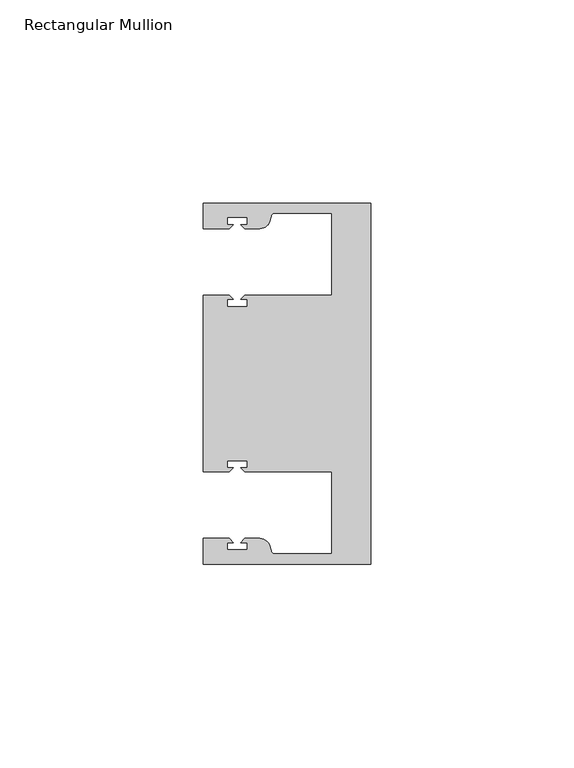
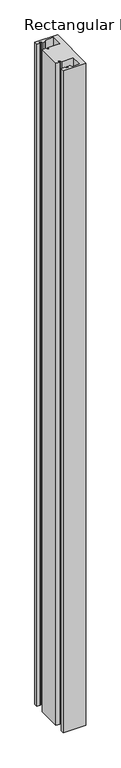
"""IFC4 building model written with IfcOpenShell, lengths in millimetres: member geometry, Rectangular Mullion."""

import ifcopenshell
import ifcopenshell.guid

model = None  # the IFC model being written
_history = None  # IfcOwnerHistory: only IFC2X3 demands one
_inside = {}  # id of a spatial element -> (the spatial element, [elements in it])
_under = {}  # id of a project, library or spatial element -> (it, [spatial elements below it])
_declared = {}  # id of a project -> (the project, [libraries it declares])
_typed = {}  # id of a type object -> (the type object, [elements of that type])
_made_of = {}  # id of a material, layer set ... -> (it, [elements and type objects made of it])


def new_model(schema):
    """Start an empty IFC model of exactly this schema.

    Asked for "IFC4X3", IfcOpenShell would pick the latest addendum, in which some entities
    have other attributes; the version numbers below select the first issue.
    IFC2X3 requires an IfcOwnerHistory on every rooted entity: one is made here for all.
    """
    global model, _history
    if schema == "IFC4X3":
        model = ifcopenshell.file(schema_version=(4, 3, 0, 0))
    else:
        model = ifcopenshell.file(schema=schema)
    _inside.clear()
    _under.clear()
    _declared.clear()
    _typed.clear()
    _made_of.clear()
    _history = None
    if model.schema == "IFC2X3":
        org = make("IfcOrganization", Name="unknown")
        user = make(
            "IfcPersonAndOrganization",
            ThePerson=make("IfcPerson", FamilyName="unknown"),
            TheOrganization=org,
        )
        app = make(
            "IfcApplication",
            ApplicationDeveloper=org,
            Version="unknown",
            ApplicationFullName="unknown",
            ApplicationIdentifier="unknown",
        )
        _history = make(
            "IfcOwnerHistory",
            OwningUser=user,
            OwningApplication=app,
            ChangeAction="ADDED",
            CreationDate=0,
        )
    return model


def make(cls, **values):
    """One entity of the class cls with the attributes given. An attribute that is None is left unset."""
    return model.create_entity(
        cls, **{name: value for name, value in values.items() if value is not None}
    )


def rooted(cls, **values):
    """An entity with a GlobalId (a new one), such as an element, a storey or a relation."""
    return make(cls, GlobalId=ifcopenshell.guid.new(), OwnerHistory=_history, **values)


def si_unit(unit_type, name, prefix=None):
    """IfcSIUnit, for example si_unit("LENGTHUNIT", "METRE", prefix="MILLI")."""
    return make("IfcSIUnit", UnitType=unit_type, Prefix=prefix, Name=name)


def assignment(units):
    """IfcUnitAssignment: the units of a project."""
    return None if units is None else make("IfcUnitAssignment", Units=units)


def point(xyz):
    """IfcCartesianPoint."""
    return None if xyz is None else make("IfcCartesianPoint", Coordinates=xyz)


def direction(xyz):
    """IfcDirection."""
    return None if xyz is None else make("IfcDirection", DirectionRatios=xyz)


def frame(location, z_axis=None, x_axis=None):
    """IfcAxis2Placement3D, a coordinate frame: its origin and axes. An axis left out is left unset."""
    return make(
        "IfcAxis2Placement3D",
        Location=point(location),
        Axis=direction(z_axis),
        RefDirection=direction(x_axis),
    )


def frame_2d(location, x_axis=None):
    """IfcAxis2Placement2D, a coordinate frame in the plane: its origin and x axis."""
    return make(
        "IfcAxis2Placement2D", Location=point(location), RefDirection=direction(x_axis)
    )


def origin():
    """The frame at (0, 0, 0) with its axes left unset."""
    return frame((0.0, 0.0, 0.0))


def place(relative_to, where):
    """IfcLocalPlacement: puts the frame where relative to a parent placement (None: the world)."""
    return make(
        "IfcLocalPlacement", PlacementRelTo=relative_to, RelativePlacement=where
    )


def context(
    kind, dimensions, precision=None, world=None, true_north=None, identifier=None
):
    """IfcGeometricRepresentationContext, for example the 3D "Model" context."""
    return make(
        "IfcGeometricRepresentationContext",
        ContextIdentifier=identifier,
        ContextType=kind,
        CoordinateSpaceDimension=dimensions,
        Precision=precision,
        WorldCoordinateSystem=world,
        TrueNorth=true_north,
    )


def project(units=None, contexts=None):
    """IfcProject with its units and contexts."""
    return rooted(
        "IfcProject",
        Name="project",
        RepresentationContexts=contexts,
        UnitsInContext=assignment(units),
    )


def spatial(cls, under=None, at=None, **own):
    """A site, building, storey or space (cls), placed at a placement, below another one or the project."""
    s = rooted(cls, ObjectPlacement=at, **own)
    if under is not None:
        _under.setdefault(under.id(), (under, []))[1].append(s)
    return s


def polyline(points):
    """IfcPolyline through the points."""
    return make("IfcPolyline", Points=[point(p) for p in points])


def circle_curve(where, radius):
    """IfcCircle in the frame where."""
    return make("IfcCircle", Position=where, Radius=radius)


def trimmed(basis, trim1, trim2, sense, master):
    """IfcTrimmedCurve: the piece of a basis curve between two trims."""
    return make(
        "IfcTrimmedCurve",
        BasisCurve=basis,
        Trim1=trim1,
        Trim2=trim2,
        SenseAgreement=sense,
        MasterRepresentation=master,
    )


def segment(curve, same_sense, transition):
    """IfcCompositeCurveSegment."""
    return make(
        "IfcCompositeCurveSegment",
        Transition=transition,
        SameSense=same_sense,
        ParentCurve=curve,
    )


def composite_curve(segments, self_intersect=None):
    """IfcCompositeCurve: segments joined end to end."""
    return make("IfcCompositeCurve", Segments=segments, SelfIntersect=self_intersect)


def outline(outer, holes=None, kind="AREA"):
    """IfcArbitraryClosedProfileDef: a profile drawn as a closed curve; with holes, ...WithVoids."""
    if holes is None:
        return make("IfcArbitraryClosedProfileDef", ProfileType=kind, OuterCurve=outer)
    return make(
        "IfcArbitraryProfileDefWithVoids",
        ProfileType=kind,
        OuterCurve=outer,
        InnerCurves=holes,
    )


def extrude(swept, where, along, depth):
    """IfcExtrudedAreaSolid: the profile swept, set in the frame where, extruded along a direction by depth."""
    return make(
        "IfcExtrudedAreaSolid",
        SweptArea=swept,
        Position=where,
        ExtrudedDirection=direction(along),
        Depth=depth,
    )


def shape(context_of_items, identifier, shape_type, items):
    """IfcShapeRepresentation: the items that make up one representation, for example the "Body"."""
    return make(
        "IfcShapeRepresentation",
        ContextOfItems=context_of_items,
        RepresentationIdentifier=identifier,
        RepresentationType=shape_type,
        Items=items,
    )


def source(mapping_origin, context_of_items, identifier, shape_type, items):
    """IfcRepresentationMap: a shape defined once, which mapped items show again and again."""
    return make(
        "IfcRepresentationMap",
        MappingOrigin=mapping_origin,
        MappedRepresentation=shape(context_of_items, identifier, shape_type, items),
    )


def transform(
    local_origin,
    x_axis=None,
    y_axis=None,
    z_axis=None,
    scale=None,
    scale2=None,
    scale3=None,
    uniform=True,
):
    """IfcCartesianTransformationOperator3D, or its non-uniform kind. x_axis, y_axis, z_axis: its Axis1, 2, 3."""
    if uniform:
        return make(
            "IfcCartesianTransformationOperator3D",
            Axis1=direction(x_axis),
            Axis2=direction(y_axis),
            LocalOrigin=point(local_origin),
            Scale=scale,
            Axis3=direction(z_axis),
        )
    return make(
        "IfcCartesianTransformationOperator3DnonUniform",
        Axis1=direction(x_axis),
        Axis2=direction(y_axis),
        LocalOrigin=point(local_origin),
        Scale=scale,
        Axis3=direction(z_axis),
        Scale2=scale2,
        Scale3=scale3,
    )


def mapped(mapping_source, mapping_target):
    """IfcMappedItem: shows the shape of a source again, moved by a transform."""
    return make(
        "IfcMappedItem", MappingSource=mapping_source, MappingTarget=mapping_target
    )


def made_of(thing, what):
    """Note that an element or type object is made of a material, layer set ...; save() writes the relation."""
    if what is not None:
        _made_of.setdefault(what.id(), (what, []))[1].append(thing)
    return thing


def element(
    cls,
    number,
    at=None,
    inside=None,
    cuts=None,
    type_object=None,
    material=None,
    context=None,
    identifier="Body",
    shape_type=None,
    held_by="IfcProductDefinitionShape",
    body=None,
    shapes=None,
    **own,
):
    """One element of the class cls, such as IfcWall. Its Tag is "e" and its number.

    at: its placement. inside: the storey or other place that contains it. cuts: it is an
    opening in that element (IfcRelVoidsElement). A single representation is given by context,
    identifier, shape_type and body (its items); several are given by shapes. held_by: the class
    of the entity that holds the representations. save() writes the other relations.
    """
    e = rooted(cls, Tag="e%d" % number, ObjectPlacement=at, **own)
    if body is not None:
        shapes = [shape(context, identifier, shape_type, body)]
    if shapes is not None:
        e.Representation = make(held_by, Representations=shapes)
    if inside is not None:
        _inside.setdefault(inside.id(), (inside, []))[1].append(e)
    if cuts is not None:
        rooted(
            "IfcRelVoidsElement", RelatingBuildingElement=cuts, RelatedOpeningElement=e
        )
    if type_object is not None:
        _typed.setdefault(type_object.id(), (type_object, []))[1].append(e)
    return made_of(e, material)


def aggregate(whole, parts):
    """IfcRelAggregates: a whole, such as a stair, and the parts it consists of."""
    return rooted("IfcRelAggregates", RelatingObject=whole, RelatedObjects=parts)


def save(model, path):
    """Write the relations noted so far, then the file.

    IfcRelAggregates (storeys below a building ...), IfcRelContainedInSpatialStructure (elements
    in a storey), IfcRelDefinesByType, IfcRelAssociatesMaterial and IfcRelDeclares: one each for
    every whole, place, type object, material and project.
    """
    for whole, parts in _under.values():
        aggregate(whole, parts)
    for where, things in _inside.values():
        rooted(
            "IfcRelContainedInSpatialStructure",
            RelatedElements=things,
            RelatingStructure=where,
        )
    for kind, things in _typed.values():
        rooted("IfcRelDefinesByType", RelatedObjects=things, RelatingType=kind)
    for what, things in _made_of.values():
        rooted("IfcRelAssociatesMaterial", RelatedObjects=things, RelatingMaterial=what)
    for by, libraries in _declared.values():
        rooted("IfcRelDeclares", RelatingContext=by, RelatedDefinitions=libraries)
    model.write(path)


def rectangular_mullion_92514fd0(model_context):
    return source(origin(), model_context, "Body", "SweptSolid", [
        extrude(outline(composite_curve([segment(polyline([(0.0, 44.45), (0.0, -44.45), (-41.275, -44.45), (-41.275, -38.1499897), (-34.8007531, -38.1499897), (-33.8007405, -39.1500023), (-35.3749778, -39.1500023), (-35.3749778, -40.9498819), (-30.3749831, -40.9498819), (-30.3749831, -39.1500023), (-31.949256, -39.1500023), (-30.9492503, -38.1499966), (-27.2637853, -38.1499966)]), True, "CONTINUOUS"), segment(trimmed(circle_curve(frame_2d((-27.2637853, -40.6499966)), 2.5), [point((-27.2637853, -38.1499966))], [point((-24.8489707, -40.002949))], False, "CARTESIAN"), True, "CONTINUOUS"), segment(polyline([(-24.8489707, -40.002949), (-24.5258588, -41.2088192)]), True, "CONTINUOUS"), segment(trimmed(circle_curve(frame_2d((-23.5599329, -40.9500001)), 1.0), [point((-24.5258588, -41.2088192))], [point((-23.5599329, -41.9500001))], True, "CARTESIAN"), True, "CONTINUOUS"), segment(polyline([(-23.5599329, -41.9500001), (-9.525, -41.95), (-9.525, -21.7499959), (-30.9492434, -21.7499959), (-31.949256, -20.7499834), (-30.3750186, -20.7499834), (-30.3750186, -18.949936), (-35.3750134, -18.949936), (-35.3750134, -20.7499834), (-33.8007405, -20.7499834), (-34.8007562, -21.749999), (-41.275, -21.749999), (-41.275, 21.749999), (-34.8007562, 21.749999), (-33.8007405, 20.7499834), (-35.3750134, 20.7499834), (-35.3750134, 18.949936), (-30.3750186, 18.949936), (-30.3750186, 20.7499834), (-31.949256, 20.7499834), (-30.9492434, 21.7499959), (-9.525, 21.7499959), (-9.525, 41.95), (-23.5599329, 41.95)]), True, "CONTINUOUS"), segment(trimmed(circle_curve(frame_2d((-23.5599329, 40.9500001)), 1.0), [point((-23.5599329, 41.95))], [point((-24.5258588, 41.2088192))], True, "CARTESIAN"), True, "CONTINUOUS"), segment(polyline([(-24.5258588, 41.2088192), (-24.8489707, 40.002949)]), True, "CONTINUOUS"), segment(trimmed(circle_curve(frame_2d((-27.2637853, 40.6499966)), 2.5), [point((-24.8489707, 40.002949))], [point((-27.2637853, 38.1499966))], False, "CARTESIAN"), True, "CONTINUOUS"), segment(polyline([(-27.2637853, 38.1499966), (-30.9492503, 38.1499966), (-31.949256, 39.1500023), (-30.3749831, 39.1500023), (-30.3749831, 40.9498819), (-35.3749778, 40.9498819), (-35.3749778, 39.1500023), (-33.8007405, 39.1500023), (-34.8007531, 38.1499897), (-41.2749977, 38.1499897), (-41.2749977, 44.45), (0.0, 44.45)]), True, "CONTINUOUS")], self_intersect=False)), frame((0.0, 0.0, -1270.0), z_axis=(0.0, 0.0, 1.0), x_axis=(1.0, 0.0, 0.0)), (0.0, 0.0, 1.0), 1270.0),
    ])


if __name__ == "__main__":
    model = new_model("IFC4")
    model_context = context("Model", 3, world=origin())
    ifc_project = project(units=[si_unit("LENGTHUNIT", "METRE", prefix="MILLI")], contexts=[model_context])
    site = spatial("IfcSite", under=ifc_project)
    building = spatial("IfcBuilding", under=site)
    placement = place(None, origin())
    rectangular_mullion_shape = rectangular_mullion_92514fd0(model_context)
    element("IfcMember", 1, ObjectType="Rectangular Mullion", at=placement, inside=building, context=model_context, shape_type="MappedRepresentation", body=[
        mapped(rectangular_mullion_shape, transform((0.0, 0.0, 0.0), x_axis=(1.0, 0.0, 0.0), y_axis=(0.0, 1.0, 0.0), z_axis=(0.0, 0.0, 1.0))),
    ])
    save(model, "model.ifc")
